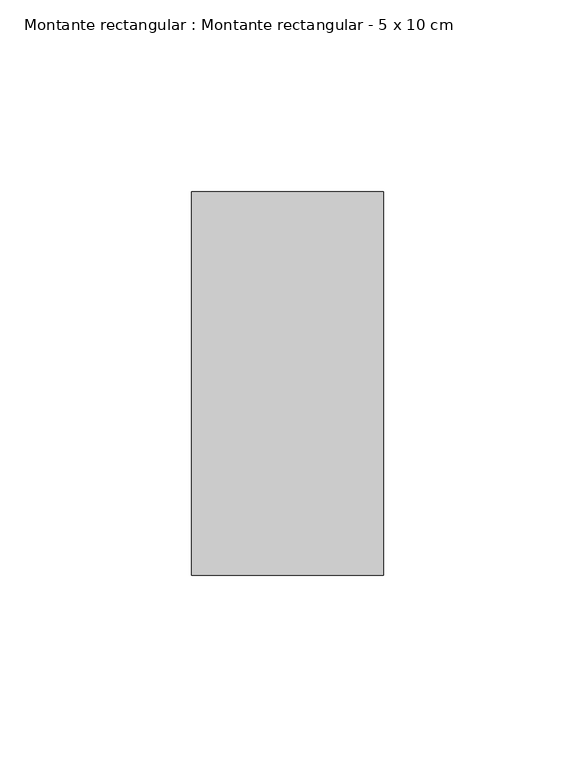
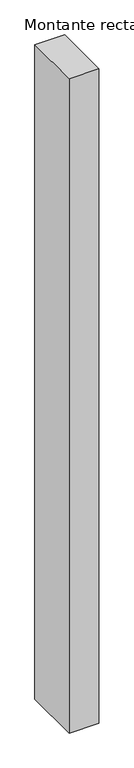
"""IFC4 building model written with IfcOpenShell, lengths in millimetres: member geometry, Montante rectangular : Montante rectangular - 5 x 10 cm."""

from ifc_helpers import new_model, si_unit, frame, origin, place, context, project, spatial, polyline, outline, extrude, source, transform, mapped, element, save


def montante_rectangular_montante_rectangular_5_x_10_cm_defd11f4(model_context):
    return source(origin(), model_context, "Body", "SweptSolid", [
        extrude(outline(polyline([(-50.0, 50.0), (0.0, 50.0), (0.0, -50.0), (-50.0, -50.0), (-50.0, 50.0)])), frame((0.0, 0.0, -1165.1190491), z_axis=(0.0, 0.0, 1.0), x_axis=(1.0, 0.0, 0.0)), (0.0, 0.0, 1.0), 1165.1190491),
    ])


if __name__ == "__main__":
    model = new_model("IFC4")
    model_context = context("Model", 3, world=origin())
    ifc_project = project(units=[si_unit("LENGTHUNIT", "METRE", prefix="MILLI")], contexts=[model_context])
    site = spatial("IfcSite", under=ifc_project)
    building = spatial("IfcBuilding", under=site)
    placement = place(None, origin())
    montante_rectangular_montante_rectangular_5_x_10_cm_shape = montante_rectangular_montante_rectangular_5_x_10_cm_defd11f4(model_context)
    element("IfcMember", 1, ObjectType="Montante rectangular : Montante rectangular - 5 x 10 cm", at=placement, inside=building, context=model_context, shape_type="MappedRepresentation", body=[
        mapped(montante_rectangular_montante_rectangular_5_x_10_cm_shape, transform((0.0, 0.0, 0.0), x_axis=(1.0, 0.0, 0.0), y_axis=(0.0, 1.0, 0.0), z_axis=(0.0, 0.0, 1.0))),
    ])
    save(model, "model.ifc")
